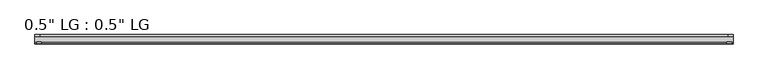
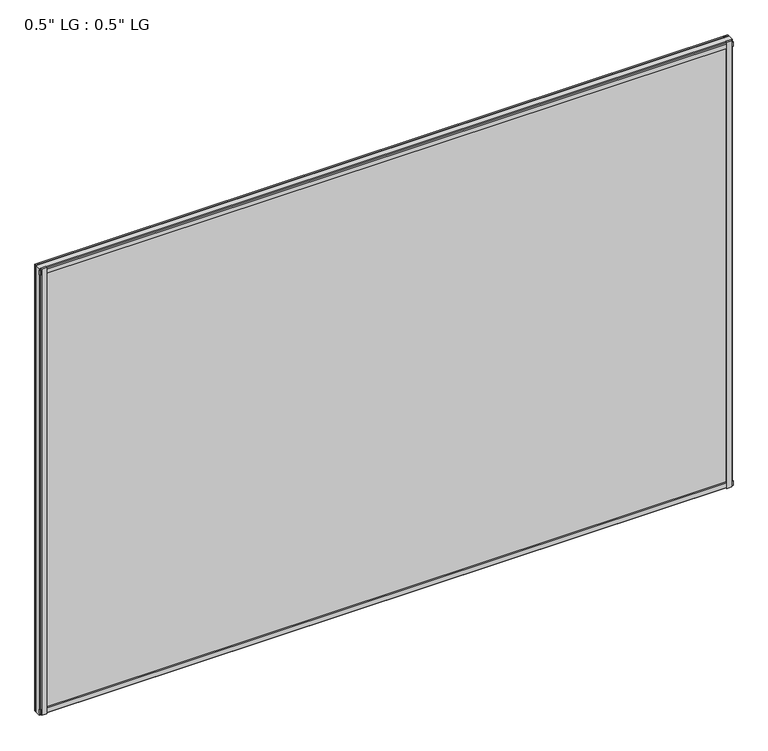
"""IFC4 building model written with IfcOpenShell, lengths in millimetres: plate geometry."""

from ifc_helpers import new_model, si_unit, frame, origin, origin_with_axes, place, context, project, spatial, polyline, outline, extrude, source, transform, mapped, element, save


def plate_0e12a503(model_context):
    return source(origin(), model_context, "Body", "SweptSolid", [
        extrude(outline(polyline([(867.5191406, 33.3271813), (855.381461, 33.3271813), (855.381461, 38.0007813), (867.5191406, 38.0007813), (867.5191406, 33.3271813)])), origin_with_axes(), (0.0, 0.0, 1.0), 1181.7821763),
        extrude(outline(polyline([(863.9877869, 15.5217813), (851.9753631, 15.5217813), (851.9753631, 19.7127813), (863.9877869, 19.7127813), (863.9877869, 15.5217813)])), origin_with_axes(), (0.0, 0.0, 1.0), 1181.7821763),
        extrude(outline(polyline([(-855.2285626, 38.0007812), (-855.2285626, 33.3271813), (-867.5191406, 33.3271813), (-867.5191406, 38.0007812), (-855.2285626, 38.0007812)])), origin_with_axes(), (0.0, 0.0, 1.0), 1181.7821763),
        extrude(outline(polyline([(-851.2693247, 19.7127813), (-851.2693247, 15.5217812), (-863.5599027, 15.5217812), (-863.5599027, 19.7127813), (-851.2693247, 19.7127813)])), origin_with_axes(), (0.0, 0.0, 1.0), 1181.7821763),
        extrude(outline(polyline([(867.5191406, 33.3271813), (-867.5191406, 33.3271812), (-867.5191406, 38.0007812), (867.5191406, 38.0007813), (867.5191406, 33.3271813)])), origin_with_axes(), (0.0, 0.0, 1.0), 11.1693096),
        extrude(outline(polyline([(867.5191406, 15.3590708), (-867.5191406, 15.3590708), (-867.5191406, 20.1364307), (867.5191406, 20.1364307), (867.5191406, 15.3590708)])), frame((0.0, 0.0, 3.848913), z_axis=(0.0, 0.0, 1.0), x_axis=(1.0, 0.0, 0.0)), (0.0, 0.0, 1.0), 11.1693096),
        extrude(outline(polyline([(867.5191406, 33.3271813), (-867.5191406, 33.3271812), (-867.5191406, 38.0007812), (867.5191406, 38.0007813), (867.5191406, 33.3271813)])), frame((0.0, 0.0, 1170.6010704), z_axis=(0.0, 0.0, 1.0), x_axis=(1.0, 0.0, 0.0)), (0.0, 0.0, 1.0), 11.1811058),
        extrude(outline(polyline([(867.5191406, 15.5217813), (-867.5191406, 15.5217813), (-867.5191406, 19.7127812), (867.5191406, 19.7127813), (867.5191406, 15.5217813)])), frame((0.0, 0.0, 1166.0419237), z_axis=(0.0, 0.0, 1.0), x_axis=(1.0, 0.0, 0.0)), (0.0, 0.0, 1.0), 11.1811058),
        extrude(outline(polyline([(867.5191406, 33.3271812), (867.5191406, 19.7127812), (-867.5191406, 19.7127812), (-867.5191406, 33.3271812), (867.5191406, 33.3271812)])), origin_with_axes(), (0.0, 0.0, 1.0), 1181.7821763),
    ])


if __name__ == "__main__":
    model = new_model("IFC4")
    model_context = context("Model", 3, world=origin())
    ifc_project = project(units=[si_unit("LENGTHUNIT", "METRE", prefix="MILLI")], contexts=[model_context])
    site = spatial("IfcSite", under=ifc_project)
    building = spatial("IfcBuilding", under=site)
    placement = place(None, origin())
    plate_shape = plate_0e12a503(model_context)
    element("IfcPlate", 1, ObjectType="0.5\" LG : 0.5\" LG", at=placement, inside=building, context=model_context, shape_type="MappedRepresentation", body=[
        mapped(plate_shape, transform((0.0, 0.0, 0.0), x_axis=(1.0, 0.0, 0.0), y_axis=(0.0, 1.0, 0.0), z_axis=(0.0, 0.0, 1.0))),
    ])
    save(model, "model.ifc")
